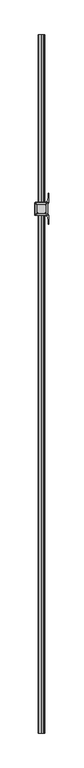
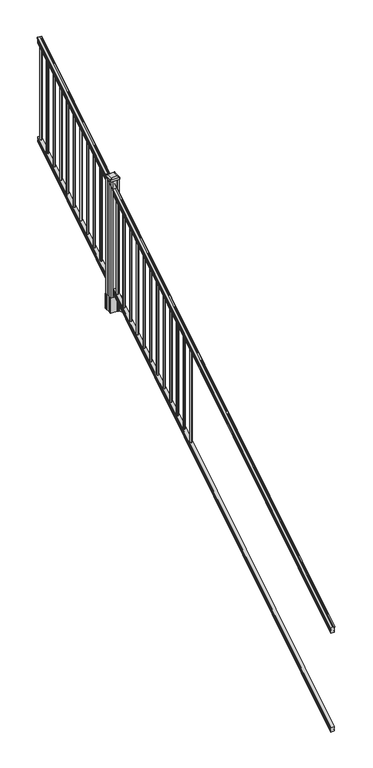
"""IFC4 building model written with IfcOpenShell, lengths in millimetres: railing geometry."""

from ifc_helpers import new_model, si_unit, point, frame, frame_2d, origin, place, context, project, spatial, polyline, circle_curve, ellipse_curve, trimmed, segment, composite_curve, outline, extrude, faceted_brep, source, transform, mapped, element, save
from ifc_brep_helpers import plane_surface, cylinder_surface, revolved_surface, extruded_surface, advanced_brep


def railing_ea38b547(model_context):
    return source(origin(), model_context, "Body", "SolidModel", [
        advanced_brep(
        [(8835.6754996, -22300.2194681, 1285.6070492), (8838.2493284, -22300.2194681, 1285.6070492), (8838.2493284, -22300.2194681, 1273.0394336), (8837.2333284, -22300.2194681, 1271.841318), (8837.2333284, -22300.2194681, 1257.3), (8868.9833284, -22300.2194681, 1257.3), (8868.9833284, -22300.2194681, 1272.0274214), (8867.9673284, -22300.2194681, 1273.225537), (8867.9673284, -22300.2194681, 1285.6070492), (8870.5411571, -22300.2194681, 1285.6070492), (8870.5411571, -22300.2194681, 1287.8335658), (8871.6713434, -22300.2194681, 1289.6758543), (8871.6713434, -22300.2194681, 1298.1876358), (8871.022087, -22300.2194681, 1301.0572588), (8873.522087, -22300.2194681, 1306.1635509), (8874.9314295, -22300.2194681, 1308.1442021), (8875.3333285, -22300.2194681, 1309.4469579), (8875.3333284, -22300.2194681, 1311.0274846), (8873.7798811, -22300.2194681, 1312.8593836), (8853.1083284, -22300.2194681, 1312.8593836), (8832.4367756, -22300.2194681, 1312.8593836), (8830.8833284, -22300.2194681, 1311.0274846), (8830.8833284, -22300.2194681, 1309.4469579), (8831.2852273, -22300.2194681, 1308.1442021), (8832.6945697, -22300.2194681, 1306.1635509), (8835.1945697, -22300.2194681, 1301.0572588), (8834.5453133, -22300.2194681, 1298.1876358), (8834.5453133, -22300.2194681, 1289.6758543), (8835.6754996, -22300.2194681, 1287.8335658), (8835.6754996, -17423.4194681, 4333.6070492), (8835.6754996, -17423.4194681, 4335.8335658), (8834.5453133, -17423.4194681, 4337.6758543), (8834.5453133, -17423.4194681, 4346.1876358), (8835.1945697, -17423.4194681, 4349.0572588), (8832.6945697, -17423.4194681, 4354.1635509), (8831.2852273, -17423.4194681, 4356.1442021), (8830.8833283, -17423.4194681, 4357.4469579), (8830.8833284, -17423.4194681, 4359.0274846), (8832.4367756, -17423.4194681, 4360.8593836), (8853.1083284, -17423.4194681, 4360.8593836), (8873.7798811, -17423.4194681, 4360.8593836), (8875.3333284, -17423.4194681, 4359.0274846), (8875.3333284, -17423.4194681, 4357.4469579), (8874.9314295, -17423.4194681, 4356.1442021), (8873.522087, -17423.4194681, 4354.1635509), (8871.022087, -17423.4194681, 4349.0572588), (8871.6713434, -17423.4194681, 4346.1876358), (8871.6713434, -17423.4194681, 4337.6758543), (8870.5411571, -17423.4194681, 4335.8335658), (8870.5411571, -17423.4194681, 4333.6070492), (8867.9673284, -17423.4194681, 4333.6070492), (8867.9673284, -17423.4194681, 4321.225537), (8868.9833284, -17423.4194681, 4320.0274214), (8868.9833284, -17423.4194681, 4305.3), (8837.2333284, -17423.4194681, 4305.3), (8837.2333284, -17423.4194681, 4319.841318), (8838.2493284, -17423.4194681, 4321.0394336), (8838.2493284, -17423.4194681, 4333.6070492)],
        [
            (0, 1, ellipse_curve(frame((8836.962414, -22300.2194681, 1285.6070492), z_axis=(0.0, -1.0, 0.0), x_axis=(0.0, 0.0, -1.0)), 1.5175907, 1.2869144)),
            (1, 2),
            (2, 3),
            (3, 4),
            (4, 5),
            (5, 6),
            (6, 7),
            (7, 8),
            (8, 9, ellipse_curve(frame((8869.2542427, -22300.2194681, 1285.6070492), z_axis=(0.0, -1.0, 0.0), x_axis=(0.0, 0.0, -1.0)), 1.5175907, 1.2869144)),
            (9, 10),
            (10, 11, ellipse_curve(frame((8864.2264038, -22300.2194681, 1294.6239405), z_axis=(0.0, -1.0, 0.0), x_axis=(0.0, 0.0, -1.0)), 10.0777926, 8.545951)),
            (11, 12, ellipse_curve(frame((8864.6634668, -22300.2194681, 1293.9317451), z_axis=(0.0, -1.0, 0.0), x_axis=(0.0, 0.0, -1.0)), 9.2955186, 7.882584)),
            (12, 13, ellipse_curve(frame((8875.1767909, -22300.2194681, 1300.8275077), z_axis=(0.0, 1.0, 0.0), x_axis=(0.0, 0.0, 1.0)), 4.9048088, 4.1592695)),
            (13, 14, ellipse_curve(frame((8876.4640975, -22300.2194681, 1300.7563208), z_axis=(0.0, 1.0, 0.0), x_axis=(0.0, 0.0, 1.0)), 6.4245301, 5.4479907)),
            (14, 15, ellipse_curve(frame((8875.230939, -22300.2194681, 1306.1602333), z_axis=(0.0, 1.0, 0.0), x_axis=(0.0, 0.0, 1.0)), 2.0151625, 1.7088543)),
            (15, 16, ellipse_curve(frame((8873.6140389, -22300.2194681, 1309.4469579), z_axis=(0.0, -1.0, 0.0), x_axis=(0.0, 0.0, -1.0)), 2.0274681, 1.7192895)),
            (16, 17),
            (17, 18, ellipse_curve(frame((8873.7798811, -22300.2194681, 1311.0274846), z_axis=(0.0, -1.0, 0.0), x_axis=(0.0, 0.0, -1.0)), 1.831899, 1.5534472)),
            (18, 19),
            (19, 20),
            (20, 21, ellipse_curve(frame((8832.4367756, -22300.2194681, 1311.0274846), z_axis=(0.0, -1.0, 0.0), x_axis=(0.0, 0.0, -1.0)), 1.831899, 1.5534472)),
            (21, 22),
            (22, 23, ellipse_curve(frame((8832.6026178, -22300.2194681, 1309.4469579), z_axis=(0.0, -1.0, 0.0), x_axis=(0.0, 0.0, -1.0)), 2.0274681, 1.7192895)),
            (23, 24, ellipse_curve(frame((8830.9857177, -22300.2194681, 1306.1602333), z_axis=(0.0, 1.0, 0.0), x_axis=(0.0, 0.0, 1.0)), 2.0151625, 1.7088543)),
            (24, 25, ellipse_curve(frame((8829.7525593, -22300.2194681, 1300.7563208), z_axis=(0.0, 1.0, 0.0), x_axis=(0.0, 0.0, 1.0)), 6.4245301, 5.4479907)),
            (25, 26, ellipse_curve(frame((8831.0398658, -22300.2194681, 1300.8275077), z_axis=(0.0, 1.0, 0.0), x_axis=(0.0, 0.0, 1.0)), 4.9048088, 4.1592695)),
            (26, 27, ellipse_curve(frame((8841.55319, -22300.2194681, 1293.9317451), z_axis=(0.0, -1.0, 0.0), x_axis=(0.0, 0.0, -1.0)), 9.2955186, 7.882584)),
            (27, 28, ellipse_curve(frame((8841.9902529, -22300.2194681, 1294.6239405), z_axis=(0.0, -1.0, 0.0), x_axis=(0.0, 0.0, -1.0)), 10.0777926, 8.545951)),
            (28, 0),
            (29, 30),
            (30, 31, ellipse_curve(frame((8841.9902529, -17423.4194681, 4342.6239405), z_axis=(0.0, 1.0, 0.0), x_axis=(0.0, 0.0, -1.0)), 10.0777926, 8.545951)),
            (31, 32, ellipse_curve(frame((8841.55319, -17423.4194681, 4341.9317451), z_axis=(0.0, 1.0, 0.0), x_axis=(0.0, 0.0, -1.0)), 9.2955186, 7.882584)),
            (32, 33, ellipse_curve(frame((8831.0398658, -17423.4194681, 4348.8275077), z_axis=(0.0, -1.0, 0.0), x_axis=(0.0, 0.0, 1.0)), 4.9048088, 4.1592695)),
            (33, 34, ellipse_curve(frame((8829.7525593, -17423.4194681, 4348.7563208), z_axis=(0.0, -1.0, 0.0), x_axis=(0.0, 0.0, 1.0)), 6.4245301, 5.4479907)),
            (34, 35, ellipse_curve(frame((8830.9857177, -17423.4194681, 4354.1602333), z_axis=(0.0, -1.0, 0.0), x_axis=(0.0, 0.0, 1.0)), 2.0151625, 1.7088543)),
            (35, 36, ellipse_curve(frame((8832.6026178, -17423.4194681, 4357.4469579), z_axis=(0.0, 1.0, 0.0), x_axis=(0.0, 0.0, -1.0)), 2.0274681, 1.7192895)),
            (36, 37),
            (37, 38, ellipse_curve(frame((8832.4367756, -17423.4194681, 4359.0274846), z_axis=(0.0, 1.0, 0.0), x_axis=(0.0, 0.0, -1.0)), 1.831899, 1.5534472)),
            (38, 39),
            (39, 40),
            (40, 41, ellipse_curve(frame((8873.7798811, -17423.4194681, 4359.0274846), z_axis=(0.0, 1.0, 0.0), x_axis=(0.0, 0.0, -1.0)), 1.831899, 1.5534472)),
            (41, 42),
            (42, 43, ellipse_curve(frame((8873.6140389, -17423.4194681, 4357.4469579), z_axis=(0.0, 1.0, 0.0), x_axis=(0.0, 0.0, -1.0)), 2.0274681, 1.7192895)),
            (43, 44, ellipse_curve(frame((8875.230939, -17423.4194681, 4354.1602333), z_axis=(0.0, -1.0, 0.0), x_axis=(0.0, 0.0, 1.0)), 2.0151625, 1.7088543)),
            (44, 45, ellipse_curve(frame((8876.4640975, -17423.4194681, 4348.7563208), z_axis=(0.0, -1.0, 0.0), x_axis=(0.0, 0.0, 1.0)), 6.4245301, 5.4479907)),
            (45, 46, ellipse_curve(frame((8875.1767909, -17423.4194681, 4348.8275077), z_axis=(0.0, -1.0, 0.0), x_axis=(0.0, 0.0, 1.0)), 4.9048088, 4.1592695)),
            (46, 47, ellipse_curve(frame((8864.6634668, -17423.4194681, 4341.9317451), z_axis=(0.0, 1.0, 0.0), x_axis=(0.0, 0.0, -1.0)), 9.2955186, 7.882584)),
            (47, 48, ellipse_curve(frame((8864.2264038, -17423.4194681, 4342.6239405), z_axis=(0.0, 1.0, 0.0), x_axis=(0.0, 0.0, -1.0)), 10.0777926, 8.545951)),
            (48, 49),
            (49, 50, ellipse_curve(frame((8869.2542427, -17423.4194681, 4333.6070492), z_axis=(0.0, 1.0, 0.0), x_axis=(0.0, 0.0, -1.0)), 1.5175907, 1.2869144)),
            (50, 51),
            (51, 52),
            (52, 53),
            (53, 54),
            (54, 55),
            (55, 56),
            (56, 57),
            (57, 29, ellipse_curve(frame((8836.962414, -17423.4194681, 4333.6070492), z_axis=(0.0, 1.0, 0.0), x_axis=(0.0, 0.0, -1.0)), 1.5175907, 1.2869144)),
            (28, 30),
            (29, 0),
            (27, 31),
            (26, 32),
            (25, 33),
            (24, 34),
            (23, 35),
            (22, 36),
            (21, 37),
            (20, 38),
            (19, 39),
            (18, 40),
            (17, 41),
            (16, 42),
            (15, 43),
            (14, 44),
            (13, 45),
            (12, 46),
            (11, 47),
            (10, 48),
            (9, 49),
            (8, 50),
            (7, 51),
            (6, 52),
            (5, 53),
            (4, 54),
            (3, 55),
            (2, 56),
            (1, 57),
        ],
        [
            plane_surface(frame((8853.1083284, -22300.2194681, 1257.3), z_axis=(0.0, -1.0, 0.0), x_axis=(0.0, 0.0, 1.0))),
            plane_surface(frame((8853.1083284, -17423.4194681, 4305.3), z_axis=(0.0, 1.0, 0.0), x_axis=(0.0, 0.0, 1.0))),
            plane_surface(frame((8835.6754996, -22300.2194681, 1287.8335658), z_axis=(-1.0, 0.0, 0.0), x_axis=(0.0, 0.8479983040051254, 0.5299989400031202))),
            cylinder_surface(frame((8841.9902529, -22316.9942728, 1284.1396876), z_axis=(0.0, -0.8479983040051254, -0.5299989400031202), x_axis=(1.0, 0.0, 0.0)), 8.545951),
            cylinder_surface(frame((8841.55319, -22316.6831737, 1283.641929), z_axis=(0.0, -0.8479983040051254, -0.5299989400031202), x_axis=(1.0, 0.0, 0.0)), 7.882584),
            revolved_surface(polyline([(8835.1991353, -17421.21505965035, 4350.205262980553), (8835.1991353, -22302.423876549437, 1299.4497524191004)]), (8831.0398658, -22319.7823929, 1288.6006797), (0.0, 0.8479983040051254, 0.5299989400031202)),
            revolved_surface(polyline([(8835.20055, -17420.532038835736, 4350.560964077183), (8835.20055, -22303.10689735281, 1298.9516775044929)]), (8829.7525593, -22319.7503988, 1288.5494891), (0.0, 0.8479983040051254, 0.5299989400031202)),
            revolved_surface(polyline([(8832.694572, -17422.513777099783, 4354.726290199654), (8832.694572, -22301.12515912247, 1305.594176435953)]), (8830.9857177, -22322.1791235, 1292.4354487), (0.0, 0.8479983040051254, 0.5299989400031202)),
            cylinder_surface(frame((8832.6026178, -22323.6563031, 1294.798936), z_axis=(0.0, -0.8479983040051254, -0.5299989400031202), x_axis=(1.0, 0.0, 0.0)), 1.7192895),
            plane_surface(frame((8830.8833284, -22300.2194681, 1311.0274846), z_axis=(-1.0, 0.0, 0.0), x_axis=(0.0, 0.8479983040051254, 0.5299989400031202))),
            cylinder_surface(frame((8832.4367756, -22324.3666522, 1295.9354945), z_axis=(0.0, -0.8479983040051254, -0.5299989400031202), x_axis=(1.0, 0.0, 0.0)), 1.5534472),
            plane_surface(frame((8853.1083284, -22300.2194681, 1312.8593836), z_axis=(0.0, -0.5299989400031202, 0.8479983040051254), x_axis=(0.0, 0.8479983040051254, 0.5299989400031202))),
            plane_surface(frame((8873.7798811, -22300.2194681, 1312.8593836), z_axis=(0.0, -0.5299989400031202, 0.8479983040051254), x_axis=(0.0, 0.8479983040051254, 0.5299989400031202))),
            cylinder_surface(frame((8873.7798811, -22324.3666522, 1295.9354945), z_axis=(0.0, -0.8479983040051254, -0.5299989400031202), x_axis=(-1.0, 0.0, 0.0)), 1.5534472),
            plane_surface(frame((8875.3333284, -22300.2194681, 1309.4469579), z_axis=(1.0, 0.0, 0.0), x_axis=(0.0, 0.8479983040051253, 0.5299989400031203))),
            cylinder_surface(frame((8873.6140389, -22323.6563031, 1294.798936), z_axis=(0.0, -0.8479983040051254, -0.5299989400031202), x_axis=(-1.0, 0.0, 0.0)), 1.7192895),
            revolved_surface(polyline([(8873.522084699998, -17422.513777099783, 4354.726290199654), (8873.522084699998, -22301.12515912247, 1305.594176435953)]), (8875.230939, -22322.1791235, 1292.4354487), (0.0, 0.8479983040051254, 0.5299989400031202)),
            revolved_surface(polyline([(8871.0161068, -17420.532038835736, 4350.560964077183), (8871.0161068, -22303.10689735281, 1298.9516775044929)]), (8876.4640975, -22319.7503988, 1288.5494891), (0.0, 0.8479983040051254, 0.5299989400031202)),
            revolved_surface(polyline([(8871.0175214, -17421.21505965035, 4350.205262980553), (8871.0175214, -22302.423876549437, 1299.4497524191004)]), (8875.1767909, -22319.7823929, 1288.6006797), (0.0, 0.8479983040051254, 0.5299989400031202)),
            cylinder_surface(frame((8864.6634668, -22316.6831737, 1283.641929), z_axis=(0.0, -0.8479983040051254, -0.5299989400031202), x_axis=(-1.0, 0.0, 0.0)), 7.882584),
            cylinder_surface(frame((8864.2264038, -22316.9942728, 1284.1396876), z_axis=(0.0, -0.8479983040051254, -0.5299989400031202), x_axis=(-1.0, 0.0, 0.0)), 8.545951),
            plane_surface(frame((8870.5411571, -22300.2194681, 1285.6070492), z_axis=(1.0, 0.0, 0.0), x_axis=(0.0, 0.8479983040051254, 0.5299989400031202))),
            cylinder_surface(frame((8869.2542427, -22312.9417374, 1277.6556309), z_axis=(0.0, -0.8479983040051254, -0.5299989400031202), x_axis=(-1.0, 0.0, 0.0)), 1.2869144),
            plane_surface(frame((8867.9673284, -22300.2194681, 1273.225537), z_axis=(1.0, 0.0, 0.0), x_axis=(0.0, 0.8479983040051254, 0.5299989400031202))),
            plane_surface(frame((8868.9833284, -22300.2194681, 1272.0274214), z_axis=(0.7071067811865426, -0.3747658444978919, 0.5996253511967194), x_axis=(0.0, 0.8479983040051254, 0.5299989400031202))),
            plane_surface(frame((8868.9833284, -22300.2194681, 1257.3), z_axis=(1.0, 0.0, 0.0), x_axis=(0.0, 0.8479983040051254, 0.5299989400031202))),
            plane_surface(frame((8837.2333284, -22300.2194681, 1257.3), z_axis=(0.0, 0.5299989400031202, -0.8479983040051254), x_axis=(0.0, 0.8479983040051254, 0.5299989400031202))),
            plane_surface(frame((8837.2333284, -22300.2194681, 1271.841318), z_axis=(-1.0, 0.0, 0.0), x_axis=(0.0, 0.8479983040051254, 0.5299989400031202))),
            plane_surface(frame((8838.2493284, -22300.2194681, 1273.0394336), z_axis=(-0.7071067811865401, -0.37476584449789163, 0.5996253511967224), x_axis=(0.0, 0.8479983040051254, 0.5299989400031202))),
            plane_surface(frame((8838.2493284, -22300.2194681, 1285.6070492), z_axis=(-1.0, 0.0, 0.0), x_axis=(0.0, 0.8479983040051254, 0.5299989400031202))),
            cylinder_surface(frame((8836.962414, -22312.9417374, 1277.6556309), z_axis=(0.0, -0.8479983040051254, -0.5299989400031202), x_axis=(1.0, 0.0, 0.0)), 1.2869144),
        ],
        [
            (0, [[1, 2, 3, 4, 5, 6, 7, 8, 9, 10, 11, 12, 13, 14, 15, 16, 17, 18, 19, 20, 21, 22, 23, 24, 25, 26, 27, 28, 29]]),
            (1, [[30, 31, 32, 33, 34, 35, 36, 37, 38, 39, 40, 41, 42, 43, 44, 45, 46, 47, 48, 49, 50, 51, 52, 53, 54, 55, 56, 57, 58]]),
            (2, [[-29, 59, -30, 60]]),
            (3, [[-28, 61, -31, -59]]),
            (4, [[-27, 62, -32, -61]]),
            (5, [[-26, 63, -33, -62]]),
            (6, [[-25, 64, -34, -63]]),
            (7, [[-24, 65, -35, -64]]),
            (8, [[-23, 66, -36, -65]]),
            (9, [[-22, 67, -37, -66]]),
            (10, [[-21, 68, -38, -67]]),
            (11, [[-20, 69, -39, -68]]),
            (12, [[-19, 70, -40, -69]]),
            (13, [[-18, 71, -41, -70]]),
            (14, [[-17, 72, -42, -71]]),
            (15, [[-16, 73, -43, -72]]),
            (16, [[-15, 74, -44, -73]]),
            (17, [[-14, 75, -45, -74]]),
            (18, [[-13, 76, -46, -75]]),
            (19, [[-12, 77, -47, -76]]),
            (20, [[-11, 78, -48, -77]]),
            (21, [[-10, 79, -49, -78]]),
            (22, [[-9, 80, -50, -79]]),
            (23, [[-8, 81, -51, -80]]),
            (24, [[-7, 82, -52, -81]]),
            (25, [[-6, 83, -53, -82]]),
            (26, [[-5, 84, -54, -83]]),
            (27, [[-4, 85, -55, -84]]),
            (28, [[-3, 86, -56, -85]]),
            (29, [[-2, 87, -57, -86]]),
            (30, [[-1, -60, -58, -87]]),
        ],
    ),
        faceted_brep([(8837.1958415, -22300.2194681, 268.8045079), (8837.1958415, -22300.2194681, 254.0), (8868.9458415, -22300.2194681, 254.0), (8868.9458415, -22300.2194681, 268.7848772), (8867.9298415, -22300.2194681, 270.3748303), (8867.9298415, -22300.2194681, 282.5348741), (8868.9458415, -22300.2194681, 284.1248272), (8868.9458415, -22300.2194681, 298.9244744), (8837.1958415, -22300.2194681, 298.9244744), (8837.1958415, -22300.2194681, 284.1444579), (8838.2118415, -22300.2194681, 282.5545048), (8838.2118415, -22300.2194681, 270.338026), (8837.1958415, -17423.4194681, 3316.8045079), (8838.2118415, -17423.4194681, 3318.338026), (8838.2118415, -17423.4194681, 3330.5545048), (8837.1958415, -17423.4194681, 3332.1444579), (8837.1958415, -17423.4194681, 3346.9244744), (8868.9458415, -17423.4194681, 3346.9244744), (8868.9458415, -17423.4194681, 3332.1248272), (8867.9298415, -17423.4194681, 3330.5348741), (8867.9298415, -17423.4194681, 3318.3748303), (8868.9458415, -17423.4194681, 3316.7848772), (8868.9458415, -17423.4194681, 3302.0), (8837.1958415, -17423.4194681, 3302.0)], [[[0, 1, 2, 3, 4, 5, 6, 7, 8, 9, 10, 11]], [[12, 13, 14, 15, 16, 17, 18, 19, 20, 21, 22, 23]], [[0, 11, 13, 12]], [[11, 10, 14, 13]], [[10, 9, 15, 14]], [[9, 8, 16, 15]], [[8, 7, 17, 16]], [[7, 6, 18, 17]], [[6, 5, 19, 18]], [[5, 4, 20, 19]], [[4, 3, 21, 20]], [[3, 2, 22, 21]], [[2, 1, 23, 22]], [[1, 0, 12, 23]]]),
        extrude(outline(composite_curve([segment(trimmed(circle_curve(frame_2d((8853.1083284, -17445.0094681)), 9.525), [point((8843.5833284, -17445.0094681))], [point((8853.1083284, -17435.4844681))], False, "CARTESIAN"), True, "CONTINUOUS"), segment(trimmed(circle_curve(frame_2d((8853.1083284, -17445.0094681)), 9.525), [point((8853.1083284, -17435.4844681))], [point((8862.6333284, -17445.0094681))], False, "CARTESIAN"), True, "CONTINUOUS"), segment(trimmed(circle_curve(frame_2d((8853.1083284, -17445.0094681)), 9.525), [point((8862.6333284, -17445.0094681))], [point((8853.1083284, -17454.5344681))], False, "CARTESIAN"), True, "CONTINUOUS"), segment(trimmed(circle_curve(frame_2d((8853.1083284, -17445.0094681)), 9.525), [point((8853.1083284, -17454.5344681))], [point((8843.5833284, -17445.0094681))], False, "CARTESIAN"), True, "CONTINUOUS")], self_intersect=False)), frame((0.0, 0.0, 3326.6021281), z_axis=(0.0, 0.0, 1.0), x_axis=(1.0, 0.0, 0.0)), (0.0, 0.0, 1.0), 965.2041219),
        extrude(outline(composite_curve([segment(trimmed(circle_curve(frame_2d((8853.1083284, -17556.2614681)), 9.525), [point((8843.5833284, -17556.2614681))], [point((8853.1083284, -17546.7364681))], False, "CARTESIAN"), True, "CONTINUOUS"), segment(trimmed(circle_curve(frame_2d((8853.1083284, -17556.2614681)), 9.525), [point((8853.1083284, -17546.7364681))], [point((8862.6333284, -17556.2614681))], False, "CARTESIAN"), True, "CONTINUOUS"), segment(trimmed(circle_curve(frame_2d((8853.1083284, -17556.2614681)), 9.525), [point((8862.6333284, -17556.2614681))], [point((8853.1083284, -17565.7864681))], False, "CARTESIAN"), True, "CONTINUOUS"), segment(trimmed(circle_curve(frame_2d((8853.1083284, -17556.2614681)), 9.525), [point((8853.1083284, -17565.7864681))], [point((8843.5833284, -17556.2614681))], False, "CARTESIAN"), True, "CONTINUOUS")], self_intersect=False)), frame((0.0, 0.0, 3257.0696281), z_axis=(0.0, 0.0, 1.0), x_axis=(1.0, 0.0, 0.0)), (0.0, 0.0, 1.0), 965.2041219),
        extrude(outline(composite_curve([segment(trimmed(circle_curve(frame_2d((8853.1083284, -17667.5134681)), 9.525), [point((8843.5833284, -17667.5134681))], [point((8853.1083284, -17657.9884681))], False, "CARTESIAN"), True, "CONTINUOUS"), segment(trimmed(circle_curve(frame_2d((8853.1083284, -17667.5134681)), 9.525), [point((8853.1083284, -17657.9884681))], [point((8862.6333284, -17667.5134681))], False, "CARTESIAN"), True, "CONTINUOUS"), segment(trimmed(circle_curve(frame_2d((8853.1083284, -17667.5134681)), 9.525), [point((8862.6333284, -17667.5134681))], [point((8853.1083284, -17677.0384681))], False, "CARTESIAN"), True, "CONTINUOUS"), segment(trimmed(circle_curve(frame_2d((8853.1083284, -17667.5134681)), 9.525), [point((8853.1083284, -17677.0384681))], [point((8843.5833284, -17667.5134681))], False, "CARTESIAN"), True, "CONTINUOUS")], self_intersect=False)), frame((0.0, 0.0, 3187.5371281), z_axis=(0.0, 0.0, 1.0), x_axis=(1.0, 0.0, 0.0)), (0.0, 0.0, 1.0), 965.2041219),
        extrude(outline(composite_curve([segment(trimmed(circle_curve(frame_2d((8853.1083284, -17778.7654681)), 9.525), [point((8843.5833284, -17778.7654681))], [point((8853.1083284, -17769.2404681))], False, "CARTESIAN"), True, "CONTINUOUS"), segment(trimmed(circle_curve(frame_2d((8853.1083284, -17778.7654681)), 9.525), [point((8853.1083284, -17769.2404681))], [point((8862.6333284, -17778.7654681))], False, "CARTESIAN"), True, "CONTINUOUS"), segment(trimmed(circle_curve(frame_2d((8853.1083284, -17778.7654681)), 9.525), [point((8862.6333284, -17778.7654681))], [point((8853.1083284, -17788.2904681))], False, "CARTESIAN"), True, "CONTINUOUS"), segment(trimmed(circle_curve(frame_2d((8853.1083284, -17778.7654681)), 9.525), [point((8853.1083284, -17788.2904681))], [point((8843.5833284, -17778.7654681))], False, "CARTESIAN"), True, "CONTINUOUS")], self_intersect=False)), frame((0.0, 0.0, 3118.0046281), z_axis=(0.0, 0.0, 1.0), x_axis=(1.0, 0.0, 0.0)), (0.0, 0.0, 1.0), 965.2041219),
        extrude(outline(composite_curve([segment(trimmed(circle_curve(frame_2d((8853.1083284, -17890.0174681)), 9.525), [point((8843.5833284, -17890.0174681))], [point((8853.1083284, -17880.4924681))], False, "CARTESIAN"), True, "CONTINUOUS"), segment(trimmed(circle_curve(frame_2d((8853.1083284, -17890.0174681)), 9.525), [point((8853.1083284, -17880.4924681))], [point((8862.6333284, -17890.0174681))], False, "CARTESIAN"), True, "CONTINUOUS"), segment(trimmed(circle_curve(frame_2d((8853.1083284, -17890.0174681)), 9.525), [point((8862.6333284, -17890.0174681))], [point((8853.1083284, -17899.5424681))], False, "CARTESIAN"), True, "CONTINUOUS"), segment(trimmed(circle_curve(frame_2d((8853.1083284, -17890.0174681)), 9.525), [point((8853.1083284, -17899.5424681))], [point((8843.5833284, -17890.0174681))], False, "CARTESIAN"), True, "CONTINUOUS")], self_intersect=False)), frame((0.0, 0.0, 3048.4721281), z_axis=(0.0, 0.0, 1.0), x_axis=(1.0, 0.0, 0.0)), (0.0, 0.0, 1.0), 965.2041219),
        extrude(outline(composite_curve([segment(trimmed(circle_curve(frame_2d((8853.1083284, -18001.2694681)), 9.525), [point((8843.5833284, -18001.2694681))], [point((8853.1083284, -17991.7444681))], False, "CARTESIAN"), True, "CONTINUOUS"), segment(trimmed(circle_curve(frame_2d((8853.1083284, -18001.2694681)), 9.525), [point((8853.1083284, -17991.7444681))], [point((8862.6333284, -18001.2694681))], False, "CARTESIAN"), True, "CONTINUOUS"), segment(trimmed(circle_curve(frame_2d((8853.1083284, -18001.2694681)), 9.525), [point((8862.6333284, -18001.2694681))], [point((8853.1083284, -18010.7944681))], False, "CARTESIAN"), True, "CONTINUOUS"), segment(trimmed(circle_curve(frame_2d((8853.1083284, -18001.2694681)), 9.525), [point((8853.1083284, -18010.7944681))], [point((8843.5833284, -18001.2694681))], False, "CARTESIAN"), True, "CONTINUOUS")], self_intersect=False)), frame((0.0, 0.0, 2978.9396281), z_axis=(0.0, 0.0, 1.0), x_axis=(1.0, 0.0, 0.0)), (0.0, 0.0, 1.0), 965.2041219),
        extrude(outline(composite_curve([segment(trimmed(circle_curve(frame_2d((8853.1083284, -18112.5214681)), 9.525), [point((8843.5833284, -18112.5214681))], [point((8853.1083284, -18102.9964681))], False, "CARTESIAN"), True, "CONTINUOUS"), segment(trimmed(circle_curve(frame_2d((8853.1083284, -18112.5214681)), 9.525), [point((8853.1083284, -18102.9964681))], [point((8862.6333284, -18112.5214681))], False, "CARTESIAN"), True, "CONTINUOUS"), segment(trimmed(circle_curve(frame_2d((8853.1083284, -18112.5214681)), 9.525), [point((8862.6333284, -18112.5214681))], [point((8853.1083284, -18122.0464681))], False, "CARTESIAN"), True, "CONTINUOUS"), segment(trimmed(circle_curve(frame_2d((8853.1083284, -18112.5214681)), 9.525), [point((8853.1083284, -18122.0464681))], [point((8843.5833284, -18112.5214681))], False, "CARTESIAN"), True, "CONTINUOUS")], self_intersect=False)), frame((0.0, 0.0, 2909.4071281), z_axis=(0.0, 0.0, 1.0), x_axis=(1.0, 0.0, 0.0)), (0.0, 0.0, 1.0), 965.2041219),
        extrude(outline(composite_curve([segment(trimmed(circle_curve(frame_2d((8853.1083284, -18223.7734681)), 9.525), [point((8843.5833284, -18223.7734681))], [point((8853.1083284, -18214.2484681))], False, "CARTESIAN"), True, "CONTINUOUS"), segment(trimmed(circle_curve(frame_2d((8853.1083284, -18223.7734681)), 9.525), [point((8853.1083284, -18214.2484681))], [point((8862.6333284, -18223.7734681))], False, "CARTESIAN"), True, "CONTINUOUS"), segment(trimmed(circle_curve(frame_2d((8853.1083284, -18223.7734681)), 9.525), [point((8862.6333284, -18223.7734681))], [point((8853.1083284, -18233.2984681))], False, "CARTESIAN"), True, "CONTINUOUS"), segment(trimmed(circle_curve(frame_2d((8853.1083284, -18223.7734681)), 9.525), [point((8853.1083284, -18233.2984681))], [point((8843.5833284, -18223.7734681))], False, "CARTESIAN"), True, "CONTINUOUS")], self_intersect=False)), frame((0.0, 0.0, 2839.8746281), z_axis=(0.0, 0.0, 1.0), x_axis=(1.0, 0.0, 0.0)), (0.0, 0.0, 1.0), 965.2041219),
        extrude(outline(composite_curve([segment(trimmed(circle_curve(frame_2d((8853.1083284, -18335.0254681)), 9.525), [point((8843.5833284, -18335.0254681))], [point((8853.1083284, -18325.5004681))], False, "CARTESIAN"), True, "CONTINUOUS"), segment(trimmed(circle_curve(frame_2d((8853.1083284, -18335.0254681)), 9.525), [point((8853.1083284, -18325.5004681))], [point((8862.6333284, -18335.0254681))], False, "CARTESIAN"), True, "CONTINUOUS"), segment(trimmed(circle_curve(frame_2d((8853.1083284, -18335.0254681)), 9.525), [point((8862.6333284, -18335.0254681))], [point((8853.1083284, -18344.5504681))], False, "CARTESIAN"), True, "CONTINUOUS"), segment(trimmed(circle_curve(frame_2d((8853.1083284, -18335.0254681)), 9.525), [point((8853.1083284, -18344.5504681))], [point((8843.5833284, -18335.0254681))], False, "CARTESIAN"), True, "CONTINUOUS")], self_intersect=False)), frame((0.0, 0.0, 2770.3421281), z_axis=(0.0, 0.0, 1.0), x_axis=(1.0, 0.0, 0.0)), (0.0, 0.0, 1.0), 965.2041219),
        extrude(outline(composite_curve([segment(trimmed(circle_curve(frame_2d((8853.1083284, -18446.2774681)), 9.525), [point((8843.5833284, -18446.2774681))], [point((8853.1083284, -18436.7524681))], False, "CARTESIAN"), True, "CONTINUOUS"), segment(trimmed(circle_curve(frame_2d((8853.1083284, -18446.2774681)), 9.525), [point((8853.1083284, -18436.7524681))], [point((8862.6333284, -18446.2774681))], False, "CARTESIAN"), True, "CONTINUOUS"), segment(trimmed(circle_curve(frame_2d((8853.1083284, -18446.2774681)), 9.525), [point((8862.6333284, -18446.2774681))], [point((8853.1083284, -18455.8024681))], False, "CARTESIAN"), True, "CONTINUOUS"), segment(trimmed(circle_curve(frame_2d((8853.1083284, -18446.2774681)), 9.525), [point((8853.1083284, -18455.8024681))], [point((8843.5833284, -18446.2774681))], False, "CARTESIAN"), True, "CONTINUOUS")], self_intersect=False)), frame((0.0, 0.0, 2700.8096281), z_axis=(0.0, 0.0, 1.0), x_axis=(1.0, 0.0, 0.0)), (0.0, 0.0, 1.0), 965.2041219),
        extrude(outline(composite_curve([segment(trimmed(circle_curve(frame_2d((8853.1083284, -18557.5294681)), 9.525), [point((8843.5833284, -18557.5294681))], [point((8853.1083284, -18548.0044681))], False, "CARTESIAN"), True, "CONTINUOUS"), segment(trimmed(circle_curve(frame_2d((8853.1083284, -18557.5294681)), 9.525), [point((8853.1083284, -18548.0044681))], [point((8862.6333284, -18557.5294681))], False, "CARTESIAN"), True, "CONTINUOUS"), segment(trimmed(circle_curve(frame_2d((8853.1083284, -18557.5294681)), 9.525), [point((8862.6333284, -18557.5294681))], [point((8853.1083284, -18567.0544681))], False, "CARTESIAN"), True, "CONTINUOUS"), segment(trimmed(circle_curve(frame_2d((8853.1083284, -18557.5294681)), 9.525), [point((8853.1083284, -18567.0544681))], [point((8843.5833284, -18557.5294681))], False, "CARTESIAN"), True, "CONTINUOUS")], self_intersect=False)), frame((0.0, 0.0, 2631.2771281), z_axis=(0.0, 0.0, 1.0), x_axis=(1.0, 0.0, 0.0)), (0.0, 0.0, 1.0), 965.2041219),
        extrude(outline(composite_curve([segment(polyline([(8810.3728284, -18655.941563), (8810.3728284, -18621.1693732), (8808.7853284, -18620.4073732), (8808.7853284, -18597.6054452), (8812.1583054, -18594.2324681), (8873.6179763, -18594.2324681), (8873.6179763, -18593.3117181), (8878.9355201, -18593.3117181), (8878.9355201, -18591.8574634), (8884.0200498, -18591.8574634), (8884.0200498, -18590.5734396), (8885.6873221, -18590.5734396)]), True, "CONTINUOUS"), segment(trimmed(circle_curve(frame_2d((8885.6873221, -18583.5139797)), 7.0594599), [point((8885.6873221, -18590.5734396))], [point((8892.4545849, -18585.5239864))], True, "CARTESIAN"), True, "CONTINUOUS"), segment(polyline([(8892.4545849, -18585.5239864), (8900.3287792, -18559.0132573)]), True, "CONTINUOUS"), segment(trimmed(circle_curve(frame_2d((8845.5442659, -18542.7412076)), 57.15), [point((8900.3287792, -18559.0132573))], [point((8902.6942659, -18542.7412076))], True, "CARTESIAN"), True, "CONTINUOUS"), segment(polyline([(8902.6942659, -18542.7412076), (8902.6942659, -18530.7324681), (8905.6942659, -18530.7324681), (8905.6942659, -18595.8199681), (8897.4313284, -18607.1582594), (8897.4313284, -18620.4073732), (8895.8438284, -18621.1693732), (8895.8438284, -18655.941563), (8897.4313284, -18656.703563), (8897.4313284, -18669.9526768), (8905.6942659, -18681.2909681), (8905.6942659, -18746.3784681), (8902.6942659, -18746.3784681), (8902.6942659, -18734.3697285)]), True, "CONTINUOUS"), segment(trimmed(circle_curve(frame_2d((8845.5442659, -18734.3697285)), 57.15), [point((8902.6942659, -18734.3697285))], [point((8900.3287792, -18718.0976789))], True, "CARTESIAN"), True, "CONTINUOUS"), segment(polyline([(8900.3287792, -18718.0976789), (8892.4545849, -18691.5869498)]), True, "CONTINUOUS"), segment(trimmed(circle_curve(frame_2d((8885.6873221, -18693.5969565)), 7.0594599), [point((8892.4545849, -18691.5869498))], [point((8885.6873221, -18686.5374966))], True, "CARTESIAN"), True, "CONTINUOUS"), segment(polyline([(8885.6873221, -18686.5374966), (8884.0200498, -18686.5374966), (8884.0200498, -18685.2534728), (8878.9355201, -18685.2534728), (8878.9355201, -18683.7992181), (8873.6179763, -18683.7992181), (8873.6179763, -18682.8784681), (8812.1583054, -18682.8784681), (8808.7853284, -18679.505491), (8808.7853284, -18656.703563), (8810.3728284, -18655.941563)]), True, "CONTINUOUS")], self_intersect=False), holes=[polyline([(8894.3833284, -18598.8679681), (8892.7958284, -18597.2804681), (8855.8715458, -18597.2804681), (8813.4208284, -18597.2804681), (8811.8333284, -18598.8679681), (8811.8333284, -18678.2429681), (8813.4208284, -18679.8304681), (8855.8715458, -18679.8304681), (8892.7958284, -18679.8304681), (8894.3833284, -18678.2429681), (8894.3833284, -18598.8679681)])]), frame((0.0, 0.0, 2326.64), z_axis=(0.0, 0.0, 1.0), x_axis=(1.0, 0.0, 0.0)), (0.0, 0.0, 1.0), 152.4),
        advanced_brep(
        [(8878.9052034, -18667.5273431, 3691.379263), (8882.0802034, -18664.3523431, 3691.379263), (8882.0802034, -18612.7585931, 3691.379263), (8878.9052034, -18609.5835931, 3691.379263), (8827.3114534, -18609.5835931, 3691.379263), (8824.1364534, -18612.7585931, 3691.379263), (8824.1364534, -18664.3523431, 3691.379263), (8827.3114534, -18667.5273431, 3691.379263), (8895.1770784, -18683.7992181, 3680.076263), (8811.0395784, -18683.7992181, 3680.076263), (8807.8645784, -18680.6242181, 3680.076263), (8807.8645784, -18596.4867181, 3680.076263), (8811.0395784, -18593.3117181, 3680.076263), (8895.1770784, -18593.3117181, 3680.076263), (8898.3520784, -18596.4867181, 3680.076263), (8898.3520784, -18680.6242181, 3680.076263)],
        [
            (0, 1, circle_curve(frame((8878.9052034, -18664.3523431, 3691.379263), z_axis=(0.0, 0.0, 1.0), x_axis=(0.0, 1.0, 0.0)), 3.175)),
            (1, 2),
            (2, 3, circle_curve(frame((8878.9052034, -18612.7585931, 3691.379263), z_axis=(0.0, 0.0, 1.0), x_axis=(0.0, 1.0, 0.0)), 3.175)),
            (3, 4),
            (4, 5, circle_curve(frame((8827.3114534, -18612.7585931, 3691.379263), z_axis=(0.0, 0.0, 1.0), x_axis=(0.0, 1.0, 0.0)), 3.175)),
            (5, 6),
            (6, 7, circle_curve(frame((8827.3114534, -18664.3523431, 3691.379263), z_axis=(0.0, 0.0, 1.0), x_axis=(0.0, 1.0, 0.0)), 3.175)),
            (7, 0),
            (8, 9),
            (9, 10, circle_curve(frame((8811.0395784, -18680.6242181, 3680.076263), z_axis=(0.0, 0.0, -1.0), x_axis=(0.0, 1.0, 0.0)), 3.175)),
            (10, 11),
            (11, 12, circle_curve(frame((8811.0395784, -18596.4867181, 3680.076263), z_axis=(0.0, 0.0, -1.0), x_axis=(0.0, 1.0, 0.0)), 3.175)),
            (12, 13),
            (13, 14, circle_curve(frame((8895.1770784, -18596.4867181, 3680.076263), z_axis=(0.0, 0.0, -1.0), x_axis=(0.0, 1.0, 0.0)), 3.175)),
            (14, 15),
            (15, 8, circle_curve(frame((8895.1770784, -18680.6242181, 3680.076263), z_axis=(0.0, 0.0, -1.0), x_axis=(0.0, 1.0, 0.0)), 3.175)),
            (15, 1),
            (0, 8),
            (14, 2),
            (13, 3),
            (12, 4),
            (11, 5),
            (10, 6),
            (9, 7),
        ],
        [
            plane_surface(frame((8853.1083284, -18638.5554681, 3691.379263), z_axis=(0.0, 0.0, 1.0), x_axis=(1.0, 0.0, 0.0))),
            plane_surface(frame((8853.1083284, -18638.5554681, 3680.076263), z_axis=(0.0, 0.0, -1.0), x_axis=(1.0, 0.0, 0.0))),
            extruded_surface(trimmed(circle_curve(frame((8895.1770784, -18680.6242181, 3680.076263), z_axis=(0.0, 0.0, 1.0), x_axis=(0.0, 1.0, 0.0)), 3.175), [point((8895.1770784, -18683.7992181, 3680.076263))], [point((8898.3520784, -18680.6242181, 3680.076263))], True, "CARTESIAN"), (-16.271875000000364, 16.271875000002183, 11.302999999999884), 25.637972638867726),
            plane_surface(frame((8898.3520784, -18638.5554681, 3680.076263), z_axis=(0.5705009161540778, 0.0, 0.8212969649690408), x_axis=(0.0, 1.0, 0.0))),
            extruded_surface(trimmed(circle_curve(frame((8895.1770784, -18596.4867181, 3680.076263), z_axis=(0.0, 0.0, 1.0), x_axis=(0.0, 1.0, 0.0)), 3.175), [point((8898.3520784, -18596.4867181, 3680.076263))], [point((8895.1770784, -18593.3117181, 3680.076263))], True, "CARTESIAN"), (-16.271875000000364, -16.271874999998545, 11.302999999999884), 25.63797263886542),
            plane_surface(frame((8853.1083284, -18593.3117181, 3680.076263), z_axis=(0.0, 0.5705009161540291, 0.8212969649690747), x_axis=(-1.0, 0.0, 0.0))),
            extruded_surface(trimmed(circle_curve(frame((8811.0395784, -18596.4867181, 3680.076263), z_axis=(0.0, 0.0, 1.0), x_axis=(0.0, 1.0, 0.0)), 3.175), [point((8811.0395784, -18593.3117181, 3680.076263))], [point((8807.8645784, -18596.4867181, 3680.076263))], True, "CARTESIAN"), (16.271875000000364, -16.271874999998545, 11.302999999999884), 25.63797263886542),
            plane_surface(frame((8807.8645784, -18638.5554681, 3680.076263), z_axis=(-0.5705009161540142, 0.0, 0.8212969649690851), x_axis=(0.0, -1.0, 0.0))),
            extruded_surface(trimmed(circle_curve(frame((8811.0395784, -18680.6242181, 3680.076263), z_axis=(0.0, 0.0, 1.0), x_axis=(0.0, 1.0, 0.0)), 3.175), [point((8807.8645784, -18680.6242181, 3680.076263))], [point((8811.0395784, -18683.7992181, 3680.076263))], True, "CARTESIAN"), (16.271875000000364, 16.271875000002183, 11.302999999999884), 25.637972638867726),
            plane_surface(frame((8853.1083284, -18683.7992181, 3680.076263), z_axis=(0.0, -0.570500916154034, 0.8212969649690713), x_axis=(1.0, 0.0, 0.0))),
        ],
        [
            (0, [[1, 2, 3, 4, 5, 6, 7, 8]]),
            (1, [[9, 10, 11, 12, 13, 14, 15, 16]]),
            (2, [[-16, 17, -1, 18]]),
            (3, [[-15, 19, -2, -17]]),
            (4, [[-14, 20, -3, -19]]),
            (5, [[-13, 21, -4, -20]]),
            (6, [[-12, 22, -5, -21]]),
            (7, [[-11, 23, -6, -22]]),
            (8, [[-10, 24, -7, -23]]),
            (9, [[-9, -18, -8, -24]]),
        ],
    ),
        extrude(outline(composite_curve([segment(polyline([(8895.1770784, -18683.7992181), (8811.0395784, -18683.7992181)]), True, "CONTINUOUS"), segment(trimmed(circle_curve(frame_2d((8811.0395784, -18680.6242181)), 3.175), [point((8811.0395784, -18683.7992181))], [point((8807.8645784, -18680.6242181))], False, "CARTESIAN"), True, "CONTINUOUS"), segment(polyline([(8807.8645784, -18680.6242181), (8807.8645784, -18596.4867181)]), True, "CONTINUOUS"), segment(trimmed(circle_curve(frame_2d((8811.0395784, -18596.4867181)), 3.175), [point((8807.8645784, -18596.4867181))], [point((8811.0395784, -18593.3117181))], False, "CARTESIAN"), True, "CONTINUOUS"), segment(polyline([(8811.0395784, -18593.3117181), (8895.1770784, -18593.3117181)]), True, "CONTINUOUS"), segment(trimmed(circle_curve(frame_2d((8895.1770784, -18596.4867181)), 3.175), [point((8895.1770784, -18593.3117181))], [point((8898.3520784, -18596.4867181))], False, "CARTESIAN"), True, "CONTINUOUS"), segment(polyline([(8898.3520784, -18596.4867181), (8898.3520784, -18680.6242181)]), True, "CONTINUOUS"), segment(trimmed(circle_curve(frame_2d((8895.1770784, -18680.6242181)), 3.175), [point((8898.3520784, -18680.6242181))], [point((8895.1770784, -18683.7992181))], False, "CARTESIAN"), True, "CONTINUOUS")], self_intersect=False)), frame((0.0, 0.0, 3662.804263), z_axis=(0.0, 0.0, 1.0), x_axis=(1.0, 0.0, 0.0)), (0.0, 0.0, 1.0), 17.272),
        extrude(outline(polyline([(8892.7958284, -18679.8304681), (8873.1743284, -18679.8304681), (8872.4123284, -18678.2429681), (8833.8043284, -18678.2429681), (8833.0423284, -18679.8304681), (8813.4208284, -18679.8304681), (8811.8333284, -18678.2429681), (8811.8333284, -18658.6214681), (8813.4208284, -18657.8594681), (8813.4208284, -18619.2514681), (8811.8333284, -18618.4894681), (8811.8333284, -18598.8679681), (8813.4208284, -18597.2804681), (8833.0423284, -18597.2804681), (8833.8043284, -18598.8679681), (8872.4123284, -18598.8679681), (8873.1743284, -18597.2804681), (8892.7958284, -18597.2804681), (8894.3833284, -18598.8679681), (8894.3833284, -18618.4894681), (8892.7958284, -18619.2514681), (8892.7958284, -18657.8594681), (8894.3833284, -18658.6214681), (8894.3833284, -18678.2429681), (8892.7958284, -18679.8304681)])), frame((0.0, 0.0, 2479.04), z_axis=(0.0, 0.0, 1.0), x_axis=(1.0, 0.0, 0.0)), (0.0, 0.0, 1.0), 1183.764263),
        extrude(outline(composite_curve([segment(trimmed(circle_curve(frame_2d((8853.1083284, -18719.5814681)), 9.525), [point((8843.5833284, -18719.5814681))], [point((8853.1083284, -18710.0564681))], False, "CARTESIAN"), True, "CONTINUOUS"), segment(trimmed(circle_curve(frame_2d((8853.1083284, -18719.5814681)), 9.525), [point((8853.1083284, -18710.0564681))], [point((8862.6333284, -18719.5814681))], False, "CARTESIAN"), True, "CONTINUOUS"), segment(trimmed(circle_curve(frame_2d((8853.1083284, -18719.5814681)), 9.525), [point((8862.6333284, -18719.5814681))], [point((8853.1083284, -18729.1064681))], False, "CARTESIAN"), True, "CONTINUOUS"), segment(trimmed(circle_curve(frame_2d((8853.1083284, -18719.5814681)), 9.525), [point((8853.1083284, -18729.1064681))], [point((8843.5833284, -18719.5814681))], False, "CARTESIAN"), True, "CONTINUOUS")], self_intersect=False)), frame((0.0, 0.0, 2529.9946281), z_axis=(0.0, 0.0, 1.0), x_axis=(1.0, 0.0, 0.0)), (0.0, 0.0, 1.0), 965.2041219),
        extrude(outline(composite_curve([segment(trimmed(circle_curve(frame_2d((8853.1083284, -18830.8334681)), 9.525), [point((8843.5833284, -18830.8334681))], [point((8853.1083284, -18821.3084681))], False, "CARTESIAN"), True, "CONTINUOUS"), segment(trimmed(circle_curve(frame_2d((8853.1083284, -18830.8334681)), 9.525), [point((8853.1083284, -18821.3084681))], [point((8862.6333284, -18830.8334681))], False, "CARTESIAN"), True, "CONTINUOUS"), segment(trimmed(circle_curve(frame_2d((8853.1083284, -18830.8334681)), 9.525), [point((8862.6333284, -18830.8334681))], [point((8853.1083284, -18840.3584681))], False, "CARTESIAN"), True, "CONTINUOUS"), segment(trimmed(circle_curve(frame_2d((8853.1083284, -18830.8334681)), 9.525), [point((8853.1083284, -18840.3584681))], [point((8843.5833284, -18830.8334681))], False, "CARTESIAN"), True, "CONTINUOUS")], self_intersect=False)), frame((0.0, 0.0, 2460.4621281), z_axis=(0.0, 0.0, 1.0), x_axis=(1.0, 0.0, 0.0)), (0.0, 0.0, 1.0), 965.2041219),
        extrude(outline(composite_curve([segment(trimmed(circle_curve(frame_2d((8853.1083284, -18942.0854681)), 9.525), [point((8843.5833284, -18942.0854681))], [point((8853.1083284, -18932.5604681))], False, "CARTESIAN"), True, "CONTINUOUS"), segment(trimmed(circle_curve(frame_2d((8853.1083284, -18942.0854681)), 9.525), [point((8853.1083284, -18932.5604681))], [point((8862.6333284, -18942.0854681))], False, "CARTESIAN"), True, "CONTINUOUS"), segment(trimmed(circle_curve(frame_2d((8853.1083284, -18942.0854681)), 9.525), [point((8862.6333284, -18942.0854681))], [point((8853.1083284, -18951.6104681))], False, "CARTESIAN"), True, "CONTINUOUS"), segment(trimmed(circle_curve(frame_2d((8853.1083284, -18942.0854681)), 9.525), [point((8853.1083284, -18951.6104681))], [point((8843.5833284, -18942.0854681))], False, "CARTESIAN"), True, "CONTINUOUS")], self_intersect=False)), frame((0.0, 0.0, 2390.9296281), z_axis=(0.0, 0.0, 1.0), x_axis=(1.0, 0.0, 0.0)), (0.0, 0.0, 1.0), 965.2041219),
        extrude(outline(composite_curve([segment(trimmed(circle_curve(frame_2d((8853.1083284, -19053.3374681)), 9.525), [point((8843.5833284, -19053.3374681))], [point((8853.1083284, -19043.8124681))], False, "CARTESIAN"), True, "CONTINUOUS"), segment(trimmed(circle_curve(frame_2d((8853.1083284, -19053.3374681)), 9.525), [point((8853.1083284, -19043.8124681))], [point((8862.6333284, -19053.3374681))], False, "CARTESIAN"), True, "CONTINUOUS"), segment(trimmed(circle_curve(frame_2d((8853.1083284, -19053.3374681)), 9.525), [point((8862.6333284, -19053.3374681))], [point((8853.1083284, -19062.8624681))], False, "CARTESIAN"), True, "CONTINUOUS"), segment(trimmed(circle_curve(frame_2d((8853.1083284, -19053.3374681)), 9.525), [point((8853.1083284, -19062.8624681))], [point((8843.5833284, -19053.3374681))], False, "CARTESIAN"), True, "CONTINUOUS")], self_intersect=False)), frame((0.0, 0.0, 2321.3971281), z_axis=(0.0, 0.0, 1.0), x_axis=(1.0, 0.0, 0.0)), (0.0, 0.0, 1.0), 965.2041219),
        extrude(outline(composite_curve([segment(trimmed(circle_curve(frame_2d((8853.1083284, -19164.5894681)), 9.525), [point((8843.5833284, -19164.5894681))], [point((8853.1083284, -19155.0644681))], False, "CARTESIAN"), True, "CONTINUOUS"), segment(trimmed(circle_curve(frame_2d((8853.1083284, -19164.5894681)), 9.525), [point((8853.1083284, -19155.0644681))], [point((8862.6333284, -19164.5894681))], False, "CARTESIAN"), True, "CONTINUOUS"), segment(trimmed(circle_curve(frame_2d((8853.1083284, -19164.5894681)), 9.525), [point((8862.6333284, -19164.5894681))], [point((8853.1083284, -19174.1144681))], False, "CARTESIAN"), True, "CONTINUOUS"), segment(trimmed(circle_curve(frame_2d((8853.1083284, -19164.5894681)), 9.525), [point((8853.1083284, -19174.1144681))], [point((8843.5833284, -19164.5894681))], False, "CARTESIAN"), True, "CONTINUOUS")], self_intersect=False)), frame((0.0, 0.0, 2251.8646281), z_axis=(0.0, 0.0, 1.0), x_axis=(1.0, 0.0, 0.0)), (0.0, 0.0, 1.0), 965.2041219),
        extrude(outline(composite_curve([segment(trimmed(circle_curve(frame_2d((8853.1083284, -19275.8414681)), 9.525), [point((8843.5833284, -19275.8414681))], [point((8853.1083284, -19266.3164681))], False, "CARTESIAN"), True, "CONTINUOUS"), segment(trimmed(circle_curve(frame_2d((8853.1083284, -19275.8414681)), 9.525), [point((8853.1083284, -19266.3164681))], [point((8862.6333284, -19275.8414681))], False, "CARTESIAN"), True, "CONTINUOUS"), segment(trimmed(circle_curve(frame_2d((8853.1083284, -19275.8414681)), 9.525), [point((8862.6333284, -19275.8414681))], [point((8853.1083284, -19285.3664681))], False, "CARTESIAN"), True, "CONTINUOUS"), segment(trimmed(circle_curve(frame_2d((8853.1083284, -19275.8414681)), 9.525), [point((8853.1083284, -19285.3664681))], [point((8843.5833284, -19275.8414681))], False, "CARTESIAN"), True, "CONTINUOUS")], self_intersect=False)), frame((0.0, 0.0, 2182.3321281), z_axis=(0.0, 0.0, 1.0), x_axis=(1.0, 0.0, 0.0)), (0.0, 0.0, 1.0), 965.2041219),
        extrude(outline(composite_curve([segment(trimmed(circle_curve(frame_2d((8853.1083284, -19387.0934681)), 9.525), [point((8843.5833284, -19387.0934681))], [point((8853.1083284, -19377.5684681))], False, "CARTESIAN"), True, "CONTINUOUS"), segment(trimmed(circle_curve(frame_2d((8853.1083284, -19387.0934681)), 9.525), [point((8853.1083284, -19377.5684681))], [point((8862.6333284, -19387.0934681))], False, "CARTESIAN"), True, "CONTINUOUS"), segment(trimmed(circle_curve(frame_2d((8853.1083284, -19387.0934681)), 9.525), [point((8862.6333284, -19387.0934681))], [point((8853.1083284, -19396.6184681))], False, "CARTESIAN"), True, "CONTINUOUS"), segment(trimmed(circle_curve(frame_2d((8853.1083284, -19387.0934681)), 9.525), [point((8853.1083284, -19396.6184681))], [point((8843.5833284, -19387.0934681))], False, "CARTESIAN"), True, "CONTINUOUS")], self_intersect=False)), frame((0.0, 0.0, 2112.7996281), z_axis=(0.0, 0.0, 1.0), x_axis=(1.0, 0.0, 0.0)), (0.0, 0.0, 1.0), 965.2041219),
        extrude(outline(composite_curve([segment(trimmed(circle_curve(frame_2d((8853.1083284, -19498.3454681)), 9.525), [point((8843.5833284, -19498.3454681))], [point((8853.1083284, -19488.8204681))], False, "CARTESIAN"), True, "CONTINUOUS"), segment(trimmed(circle_curve(frame_2d((8853.1083284, -19498.3454681)), 9.525), [point((8853.1083284, -19488.8204681))], [point((8862.6333284, -19498.3454681))], False, "CARTESIAN"), True, "CONTINUOUS"), segment(trimmed(circle_curve(frame_2d((8853.1083284, -19498.3454681)), 9.525), [point((8862.6333284, -19498.3454681))], [point((8853.1083284, -19507.8704681))], False, "CARTESIAN"), True, "CONTINUOUS"), segment(trimmed(circle_curve(frame_2d((8853.1083284, -19498.3454681)), 9.525), [point((8853.1083284, -19507.8704681))], [point((8843.5833284, -19498.3454681))], False, "CARTESIAN"), True, "CONTINUOUS")], self_intersect=False)), frame((0.0, 0.0, 2043.2671281), z_axis=(0.0, 0.0, 1.0), x_axis=(1.0, 0.0, 0.0)), (0.0, 0.0, 1.0), 965.2041219),
        extrude(outline(composite_curve([segment(trimmed(circle_curve(frame_2d((8853.1083284, -19609.5974681)), 9.525), [point((8843.5833284, -19609.5974681))], [point((8853.1083284, -19600.0724681))], False, "CARTESIAN"), True, "CONTINUOUS"), segment(trimmed(circle_curve(frame_2d((8853.1083284, -19609.5974681)), 9.525), [point((8853.1083284, -19600.0724681))], [point((8862.6333284, -19609.5974681))], False, "CARTESIAN"), True, "CONTINUOUS"), segment(trimmed(circle_curve(frame_2d((8853.1083284, -19609.5974681)), 9.525), [point((8862.6333284, -19609.5974681))], [point((8853.1083284, -19619.1224681))], False, "CARTESIAN"), True, "CONTINUOUS"), segment(trimmed(circle_curve(frame_2d((8853.1083284, -19609.5974681)), 9.525), [point((8853.1083284, -19619.1224681))], [point((8843.5833284, -19609.5974681))], False, "CARTESIAN"), True, "CONTINUOUS")], self_intersect=False)), frame((0.0, 0.0, 1973.7346281), z_axis=(0.0, 0.0, 1.0), x_axis=(1.0, 0.0, 0.0)), (0.0, 0.0, 1.0), 965.2041219),
        extrude(outline(composite_curve([segment(trimmed(circle_curve(frame_2d((8853.1083284, -19720.8494681)), 9.525), [point((8843.5833284, -19720.8494681))], [point((8853.1083284, -19711.3244681))], False, "CARTESIAN"), True, "CONTINUOUS"), segment(trimmed(circle_curve(frame_2d((8853.1083284, -19720.8494681)), 9.525), [point((8853.1083284, -19711.3244681))], [point((8862.6333284, -19720.8494681))], False, "CARTESIAN"), True, "CONTINUOUS"), segment(trimmed(circle_curve(frame_2d((8853.1083284, -19720.8494681)), 9.525), [point((8862.6333284, -19720.8494681))], [point((8853.1083284, -19730.3744681))], False, "CARTESIAN"), True, "CONTINUOUS"), segment(trimmed(circle_curve(frame_2d((8853.1083284, -19720.8494681)), 9.525), [point((8853.1083284, -19730.3744681))], [point((8843.5833284, -19720.8494681))], False, "CARTESIAN"), True, "CONTINUOUS")], self_intersect=False)), frame((0.0, 0.0, 1904.2021281), z_axis=(0.0, 0.0, 1.0), x_axis=(1.0, 0.0, 0.0)), (0.0, 0.0, 1.0), 965.2041219),
        extrude(outline(composite_curve([segment(trimmed(circle_curve(frame_2d((8853.1083284, -19832.1014681)), 9.525), [point((8843.5833284, -19832.1014681))], [point((8853.1083284, -19822.5764681))], False, "CARTESIAN"), True, "CONTINUOUS"), segment(trimmed(circle_curve(frame_2d((8853.1083284, -19832.1014681)), 9.525), [point((8853.1083284, -19822.5764681))], [point((8862.6333284, -19832.1014681))], False, "CARTESIAN"), True, "CONTINUOUS"), segment(trimmed(circle_curve(frame_2d((8853.1083284, -19832.1014681)), 9.525), [point((8862.6333284, -19832.1014681))], [point((8853.1083284, -19841.6264681))], False, "CARTESIAN"), True, "CONTINUOUS"), segment(trimmed(circle_curve(frame_2d((8853.1083284, -19832.1014681)), 9.525), [point((8853.1083284, -19841.6264681))], [point((8843.5833284, -19832.1014681))], False, "CARTESIAN"), True, "CONTINUOUS")], self_intersect=False)), frame((0.0, 0.0, 1834.6696281), z_axis=(0.0, 0.0, 1.0), x_axis=(1.0, 0.0, 0.0)), (0.0, 0.0, 1.0), 965.2041219),
        extrude(outline(composite_curve([segment(trimmed(circle_curve(frame_2d((8853.1083284, -19943.3534681)), 9.525), [point((8843.5833284, -19943.3534681))], [point((8853.1083284, -19933.8284681))], False, "CARTESIAN"), True, "CONTINUOUS"), segment(trimmed(circle_curve(frame_2d((8853.1083284, -19943.3534681)), 9.525), [point((8853.1083284, -19933.8284681))], [point((8862.6333284, -19943.3534681))], False, "CARTESIAN"), True, "CONTINUOUS"), segment(trimmed(circle_curve(frame_2d((8853.1083284, -19943.3534681)), 9.525), [point((8862.6333284, -19943.3534681))], [point((8853.1083284, -19952.8784681))], False, "CARTESIAN"), True, "CONTINUOUS"), segment(trimmed(circle_curve(frame_2d((8853.1083284, -19943.3534681)), 9.525), [point((8853.1083284, -19952.8784681))], [point((8843.5833284, -19943.3534681))], False, "CARTESIAN"), True, "CONTINUOUS")], self_intersect=False)), frame((0.0, 0.0, 1765.1371281), z_axis=(0.0, 0.0, 1.0), x_axis=(1.0, 0.0, 0.0)), (0.0, 0.0, 1.0), 965.2041219),
    ])


if __name__ == "__main__":
    model = new_model("IFC4")
    model_context = context("Model", 3, world=origin())
    ifc_project = project(units=[si_unit("LENGTHUNIT", "METRE", prefix="MILLI")], contexts=[model_context])
    site = spatial("IfcSite", under=ifc_project)
    building = spatial("IfcBuilding", under=site)
    placement = place(None, origin())
    railing_shape = railing_ea38b547(model_context)
    element("IfcRailing", 1, at=placement, inside=building, context=model_context, shape_type="MappedRepresentation", body=[
        mapped(railing_shape, transform((0.0, 0.0, 0.0), x_axis=(1.0, 0.0, 0.0), y_axis=(0.0, 1.0, 0.0), z_axis=(0.0, 0.0, 1.0))),
    ])
    save(model, "model.ifc")
